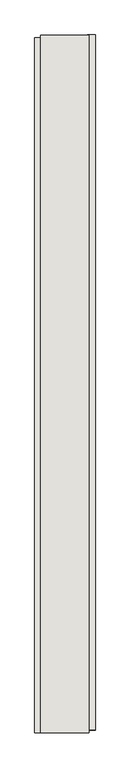
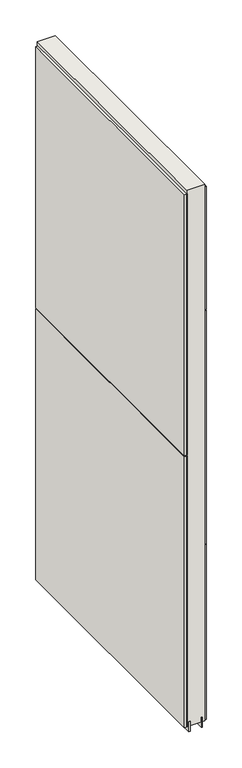
"""IFC4 building model written with IfcOpenShell, lengths in millimetres: wall geometry."""

from ifc_helpers import new_model, si_unit, frame, origin, place, context, project, spatial, polyline, outline, extrude, source, transform, mapped, element, save


def wall_17faa199(model_context):
    return source(origin(), model_context, "Body", "SweptSolid", [
        extrude(outline(polyline([(73283.482211, -41849.632836), (73283.482211, -41852.172836), (73280.942211, -41852.172836), (73280.942211, -41849.632836), (73283.482211, -41849.632836)])), frame((0.0, 0.0, 4419.6), z_axis=(0.0, 0.0, 1.0), x_axis=(1.0, 0.0, 0.0)), (0.0, 0.0, 1.0), 2.54),
        extrude(outline(polyline([(73231.412211, -43018.4965638), (73231.412211, -41854.0965558), (73244.112211, -41854.0965558), (73244.112211, -43018.4965638), (73231.412211, -43018.4965638)])), frame((0.0, 0.0, 5742.399869), z_axis=(0.0, 0.0, 1.0), x_axis=(1.0, 0.0, 0.0)), (0.0, 0.0, 1.0), 1247.649905),
        extrude(outline(polyline([(73231.412211, -43018.4965638), (73231.412211, -41854.0965558), (73244.112211, -41854.0965558), (73244.112211, -43018.4965638), (73231.412211, -43018.4965638)])), frame((0.0, 0.0, 4445.0), z_axis=(0.0, 0.0, 1.0), x_axis=(1.0, 0.0, 0.0)), (0.0, 0.0, 1.0), 1293.400004),
        extrude(outline(polyline([(73333.012211, -41849.166619), (73333.012211, -43013.566627), (73320.312211, -43013.566627), (73320.312211, -41849.166619), (73333.012211, -41849.166619)])), frame((0.0, 0.0, 6402.8000722), z_axis=(0.0, 0.0, 1.0), x_axis=(1.0, 0.0, 0.0)), (0.0, 0.0, 1.0), 587.2498034),
        extrude(outline(polyline([(73333.012211, -41849.166619), (73333.012211, -43013.566627), (73320.312211, -43013.566627), (73320.312211, -41849.166619), (73333.012211, -41849.166619)])), frame((0.0, 0.0, 5285.2000722), z_axis=(0.0, 0.0, 1.0), x_axis=(1.0, 0.0, 0.0)), (0.0, 0.0, 1.0), 1113.5999572),
        extrude(outline(polyline([(73333.012211, -41849.166619), (73333.012211, -43013.566627), (73320.312211, -43013.566627), (73320.312211, -41849.166619), (73333.012211, -41849.166619)])), frame((0.0, 0.0, 4445.0), z_axis=(0.0, 0.0, 1.0), x_axis=(1.0, 0.0, 0.0)), (0.0, 0.0, 1.0), 836.200004),
        extrude(outline(polyline([(73257.1284664, -41849.6253938), (73257.1284664, -43018.0253938), (73252.049711, -43018.0253938), (73252.049711, -41849.6253938), (73257.1284664, -41849.6253938)])), frame((0.0, 0.0, 4418.6602), z_axis=(0.0, 0.0, 1.0), x_axis=(1.0, 0.0, 0.0)), (0.0, 0.0, 1.0), 47.625),
        extrude(outline(polyline([(73257.1284664, -41849.6253938), (73257.1284664, -43018.0253938), (73252.049711, -43018.0253938), (73252.049711, -41849.6253938), (73257.1284664, -41849.6253938)])), frame((0.0, 0.0, 4418.6602), z_axis=(0.0, 0.0, 1.0), x_axis=(1.0, 0.0, 0.0)), (0.0, 0.0, 1.0), 47.625),
        extrude(outline(polyline([(73307.2959556, -43018.0253938), (73307.2959556, -41849.6253938), (73312.374711, -41849.6253938), (73312.374711, -43018.0253938), (73307.2959556, -43018.0253938)])), frame((0.0, 0.0, 4418.6602), z_axis=(0.0, 0.0, 1.0), x_axis=(1.0, 0.0, 0.0)), (0.0, 0.0, 1.0), 47.625),
        extrude(outline(polyline([(73307.2959556, -43018.0253938), (73307.2959556, -41849.6253938), (73312.374711, -41849.6253938), (73312.374711, -43018.0253938), (73307.2959556, -43018.0253938)])), frame((0.0, 0.0, 4418.6602), z_axis=(0.0, 0.0, 1.0), x_axis=(1.0, 0.0, 0.0)), (0.0, 0.0, 1.0), 47.625),
        extrude(outline(polyline([(73241.5573266, -41849.6253938), (73322.8670954, -41849.6253938), (73322.8670954, -43018.0253938), (73241.5573266, -43018.0253938), (73241.5573266, -41849.6253938)])), frame((0.0, 0.0, 4445.0), z_axis=(0.0, 0.0, 1.0), x_axis=(1.0, 0.0, 0.0)), (0.0, 0.0, 1.0), 2562.4536762),
    ])


if __name__ == "__main__":
    model = new_model("IFC4")
    model_context = context("Model", 3, world=origin())
    ifc_project = project(units=[si_unit("LENGTHUNIT", "METRE", prefix="MILLI")], contexts=[model_context])
    site = spatial("IfcSite", under=ifc_project)
    building = spatial("IfcBuilding", under=site)
    placement = place(None, origin())
    wall_shape = wall_17faa199(model_context)
    element("IfcWall", 1, at=placement, inside=building, context=model_context, shape_type="MappedRepresentation", body=[
        mapped(wall_shape, transform((0.0, 0.0, 0.0), x_axis=(1.0, 0.0, 0.0), y_axis=(0.0, 1.0, 0.0), z_axis=(0.0, 0.0, 1.0))),
    ])
    save(model, "model.ifc")
